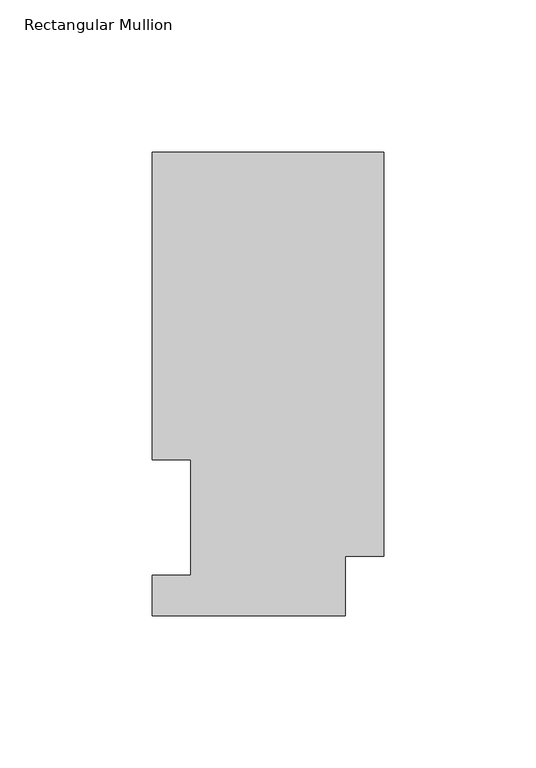
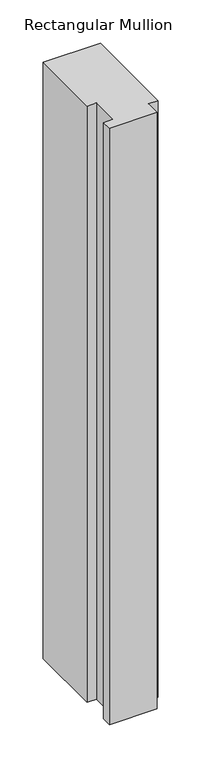
"""IFC4 building model written with IfcOpenShell, lengths in millimetres: member geometry, Rectangular Mullion."""

import ifcopenshell
import ifcopenshell.guid

model = None  # the IFC model being written
_history = None  # IfcOwnerHistory: only IFC2X3 demands one
_inside = {}  # id of a spatial element -> (the spatial element, [elements in it])
_under = {}  # id of a project, library or spatial element -> (it, [spatial elements below it])
_declared = {}  # id of a project -> (the project, [libraries it declares])
_typed = {}  # id of a type object -> (the type object, [elements of that type])
_made_of = {}  # id of a material, layer set ... -> (it, [elements and type objects made of it])


def new_model(schema):
    """Start an empty IFC model of exactly this schema.

    Asked for "IFC4X3", IfcOpenShell would pick the latest addendum, in which some entities
    have other attributes; the version numbers below select the first issue.
    IFC2X3 requires an IfcOwnerHistory on every rooted entity: one is made here for all.
    """
    global model, _history
    if schema == "IFC4X3":
        model = ifcopenshell.file(schema_version=(4, 3, 0, 0))
    else:
        model = ifcopenshell.file(schema=schema)
    _inside.clear()
    _under.clear()
    _declared.clear()
    _typed.clear()
    _made_of.clear()
    _history = None
    if model.schema == "IFC2X3":
        org = make("IfcOrganization", Name="unknown")
        user = make(
            "IfcPersonAndOrganization",
            ThePerson=make("IfcPerson", FamilyName="unknown"),
            TheOrganization=org,
        )
        app = make(
            "IfcApplication",
            ApplicationDeveloper=org,
            Version="unknown",
            ApplicationFullName="unknown",
            ApplicationIdentifier="unknown",
        )
        _history = make(
            "IfcOwnerHistory",
            OwningUser=user,
            OwningApplication=app,
            ChangeAction="ADDED",
            CreationDate=0,
        )
    return model


def make(cls, **values):
    """One entity of the class cls with the attributes given. An attribute that is None is left unset."""
    return model.create_entity(
        cls, **{name: value for name, value in values.items() if value is not None}
    )


def rooted(cls, **values):
    """An entity with a GlobalId (a new one), such as an element, a storey or a relation."""
    return make(cls, GlobalId=ifcopenshell.guid.new(), OwnerHistory=_history, **values)


def si_unit(unit_type, name, prefix=None):
    """IfcSIUnit, for example si_unit("LENGTHUNIT", "METRE", prefix="MILLI")."""
    return make("IfcSIUnit", UnitType=unit_type, Prefix=prefix, Name=name)


def assignment(units):
    """IfcUnitAssignment: the units of a project."""
    return None if units is None else make("IfcUnitAssignment", Units=units)


def point(xyz):
    """IfcCartesianPoint."""
    return None if xyz is None else make("IfcCartesianPoint", Coordinates=xyz)


def direction(xyz):
    """IfcDirection."""
    return None if xyz is None else make("IfcDirection", DirectionRatios=xyz)


def frame(location, z_axis=None, x_axis=None):
    """IfcAxis2Placement3D, a coordinate frame: its origin and axes. An axis left out is left unset."""
    return make(
        "IfcAxis2Placement3D",
        Location=point(location),
        Axis=direction(z_axis),
        RefDirection=direction(x_axis),
    )


def origin():
    """The frame at (0, 0, 0) with its axes left unset."""
    return frame((0.0, 0.0, 0.0))


def place(relative_to, where):
    """IfcLocalPlacement: puts the frame where relative to a parent placement (None: the world)."""
    return make(
        "IfcLocalPlacement", PlacementRelTo=relative_to, RelativePlacement=where
    )


def context(
    kind, dimensions, precision=None, world=None, true_north=None, identifier=None
):
    """IfcGeometricRepresentationContext, for example the 3D "Model" context."""
    return make(
        "IfcGeometricRepresentationContext",
        ContextIdentifier=identifier,
        ContextType=kind,
        CoordinateSpaceDimension=dimensions,
        Precision=precision,
        WorldCoordinateSystem=world,
        TrueNorth=true_north,
    )


def project(units=None, contexts=None):
    """IfcProject with its units and contexts."""
    return rooted(
        "IfcProject",
        Name="project",
        RepresentationContexts=contexts,
        UnitsInContext=assignment(units),
    )


def spatial(cls, under=None, at=None, **own):
    """A site, building, storey or space (cls), placed at a placement, below another one or the project."""
    s = rooted(cls, ObjectPlacement=at, **own)
    if under is not None:
        _under.setdefault(under.id(), (under, []))[1].append(s)
    return s


def polyline(points):
    """IfcPolyline through the points."""
    return make("IfcPolyline", Points=[point(p) for p in points])


def outline(outer, holes=None, kind="AREA"):
    """IfcArbitraryClosedProfileDef: a profile drawn as a closed curve; with holes, ...WithVoids."""
    if holes is None:
        return make("IfcArbitraryClosedProfileDef", ProfileType=kind, OuterCurve=outer)
    return make(
        "IfcArbitraryProfileDefWithVoids",
        ProfileType=kind,
        OuterCurve=outer,
        InnerCurves=holes,
    )


def extrude(swept, where, along, depth):
    """IfcExtrudedAreaSolid: the profile swept, set in the frame where, extruded along a direction by depth."""
    return make(
        "IfcExtrudedAreaSolid",
        SweptArea=swept,
        Position=where,
        ExtrudedDirection=direction(along),
        Depth=depth,
    )


def shape(context_of_items, identifier, shape_type, items):
    """IfcShapeRepresentation: the items that make up one representation, for example the "Body"."""
    return make(
        "IfcShapeRepresentation",
        ContextOfItems=context_of_items,
        RepresentationIdentifier=identifier,
        RepresentationType=shape_type,
        Items=items,
    )


def source(mapping_origin, context_of_items, identifier, shape_type, items):
    """IfcRepresentationMap: a shape defined once, which mapped items show again and again."""
    return make(
        "IfcRepresentationMap",
        MappingOrigin=mapping_origin,
        MappedRepresentation=shape(context_of_items, identifier, shape_type, items),
    )


def transform(
    local_origin,
    x_axis=None,
    y_axis=None,
    z_axis=None,
    scale=None,
    scale2=None,
    scale3=None,
    uniform=True,
):
    """IfcCartesianTransformationOperator3D, or its non-uniform kind. x_axis, y_axis, z_axis: its Axis1, 2, 3."""
    if uniform:
        return make(
            "IfcCartesianTransformationOperator3D",
            Axis1=direction(x_axis),
            Axis2=direction(y_axis),
            LocalOrigin=point(local_origin),
            Scale=scale,
            Axis3=direction(z_axis),
        )
    return make(
        "IfcCartesianTransformationOperator3DnonUniform",
        Axis1=direction(x_axis),
        Axis2=direction(y_axis),
        LocalOrigin=point(local_origin),
        Scale=scale,
        Axis3=direction(z_axis),
        Scale2=scale2,
        Scale3=scale3,
    )


def mapped(mapping_source, mapping_target):
    """IfcMappedItem: shows the shape of a source again, moved by a transform."""
    return make(
        "IfcMappedItem", MappingSource=mapping_source, MappingTarget=mapping_target
    )


def made_of(thing, what):
    """Note that an element or type object is made of a material, layer set ...; save() writes the relation."""
    if what is not None:
        _made_of.setdefault(what.id(), (what, []))[1].append(thing)
    return thing


def element(
    cls,
    number,
    at=None,
    inside=None,
    cuts=None,
    type_object=None,
    material=None,
    context=None,
    identifier="Body",
    shape_type=None,
    held_by="IfcProductDefinitionShape",
    body=None,
    shapes=None,
    **own,
):
    """One element of the class cls, such as IfcWall. Its Tag is "e" and its number.

    at: its placement. inside: the storey or other place that contains it. cuts: it is an
    opening in that element (IfcRelVoidsElement). A single representation is given by context,
    identifier, shape_type and body (its items); several are given by shapes. held_by: the class
    of the entity that holds the representations. save() writes the other relations.
    """
    e = rooted(cls, Tag="e%d" % number, ObjectPlacement=at, **own)
    if body is not None:
        shapes = [shape(context, identifier, shape_type, body)]
    if shapes is not None:
        e.Representation = make(held_by, Representations=shapes)
    if inside is not None:
        _inside.setdefault(inside.id(), (inside, []))[1].append(e)
    if cuts is not None:
        rooted(
            "IfcRelVoidsElement", RelatingBuildingElement=cuts, RelatedOpeningElement=e
        )
    if type_object is not None:
        _typed.setdefault(type_object.id(), (type_object, []))[1].append(e)
    return made_of(e, material)


def aggregate(whole, parts):
    """IfcRelAggregates: a whole, such as a stair, and the parts it consists of."""
    return rooted("IfcRelAggregates", RelatingObject=whole, RelatedObjects=parts)


def save(model, path):
    """Write the relations noted so far, then the file.

    IfcRelAggregates (storeys below a building ...), IfcRelContainedInSpatialStructure (elements
    in a storey), IfcRelDefinesByType, IfcRelAssociatesMaterial and IfcRelDeclares: one each for
    every whole, place, type object, material and project.
    """
    for whole, parts in _under.values():
        aggregate(whole, parts)
    for where, things in _inside.values():
        rooted(
            "IfcRelContainedInSpatialStructure",
            RelatedElements=things,
            RelatingStructure=where,
        )
    for kind, things in _typed.values():
        rooted("IfcRelDefinesByType", RelatedObjects=things, RelatingType=kind)
    for what, things in _made_of.values():
        rooted("IfcRelAssociatesMaterial", RelatedObjects=things, RelatingMaterial=what)
    for by, libraries in _declared.values():
        rooted("IfcRelDeclares", RelatingContext=by, RelatedDefinitions=libraries)
    model.write(path)


def rectangular_mullion_1d7c16c9(model_context):
    return source(origin(), model_context, "Body", "SweptSolid", [
        extrude(outline(polyline([(0.0, 152.4896937), (0.0, 19.5460937), (-12.7, 19.5460937), (-12.7, 0.0134938), (-76.2, 0.0134938), (-76.2, 13.1960938), (-63.5, 13.1960938), (-63.5, 51.2960937), (-76.2, 51.2960937), (-76.2, 152.4896937), (0.0, 152.4896937)])), frame((0.0, 0.0, -838.2), z_axis=(0.0, 0.0, 1.0), x_axis=(1.0, 0.0, 0.0)), (0.0, 0.0, 1.0), 838.2),
    ])


if __name__ == "__main__":
    model = new_model("IFC4")
    model_context = context("Model", 3, world=origin())
    ifc_project = project(units=[si_unit("LENGTHUNIT", "METRE", prefix="MILLI")], contexts=[model_context])
    site = spatial("IfcSite", under=ifc_project)
    building = spatial("IfcBuilding", under=site)
    placement = place(None, origin())
    rectangular_mullion_shape = rectangular_mullion_1d7c16c9(model_context)
    element("IfcMember", 1, ObjectType="Rectangular Mullion", at=placement, inside=building, context=model_context, shape_type="MappedRepresentation", body=[
        mapped(rectangular_mullion_shape, transform((0.0, 0.0, 0.0), x_axis=(1.0, 0.0, 0.0), y_axis=(0.0, 1.0, 0.0), z_axis=(0.0, 0.0, 1.0))),
    ])
    save(model, "model.ifc")
